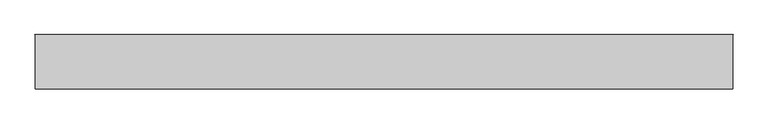
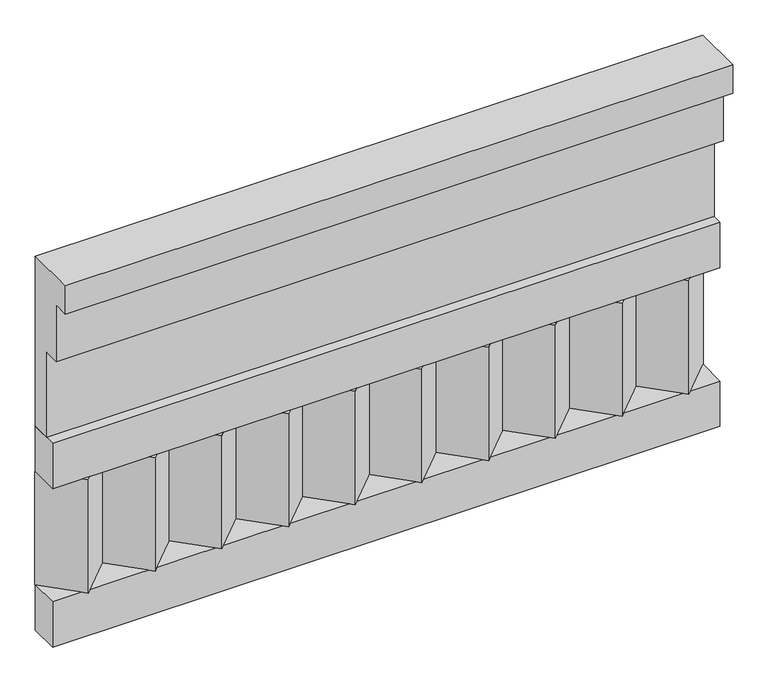
"""IFC4 building model written with IfcOpenShell, lengths in millimetres: railing geometry."""

from ifc_helpers import new_model, si_unit, frame, origin, place, context, project, spatial, polyline, outline, extrude, source, transform, mapped, element, save


def railing_da15f440(model_context):
    return source(origin(), model_context, "Body", "SweptSolid", [
        extrude(outline(polyline([(-16816.8920513, 31130.0), (-16816.8920513, 30680.0), (-16866.8920513, 30680.0), (-16866.8920513, 30905.0), (-16906.8920513, 30905.0), (-16906.8920513, 31055.0), (-16946.8920513, 31055.0), (-16946.8920513, 31130.0), (-16816.8920513, 31130.0)])), frame((-5539.9887159, 0.0, 0.0), z_axis=(1.0, 0.0, 0.0), x_axis=(0.0, 1.0, 0.0)), (0.0, 0.0, 1.0), 1670.0),
        extrude(outline(polyline([(-5539.9887159, -16891.8920513), (-5539.9887159, -16816.8920513), (-3869.9887159, -16816.8920513), (-3869.9887159, -16891.8920513), (-5539.9887159, -16891.8920513)])), frame((0.0, 0.0, 30560.0), z_axis=(0.0, 0.0, 1.0), x_axis=(1.0, 0.0, 0.0)), (0.0, 0.0, 1.0), 120.0),
        extrude(outline(polyline([(-5539.9887159, -16891.8920513), (-5539.9887159, -16816.8920513), (-3869.9887159, -16816.8920513), (-3869.9887159, -16891.8920513), (-5539.9887159, -16891.8920513)])), frame((0.0, 0.0, 30140.0), z_axis=(0.0, 0.0, 1.0), x_axis=(1.0, 0.0, 0.0)), (0.0, 0.0, 1.0), 120.0),
        extrude(outline(polyline([(-3953.4887159, -16901.7448651), (-4038.3415296, -16816.8920513), (-3868.6359022, -16816.8920513), (-3953.4887159, -16901.7448651)])), frame((0.0, 0.0, 30260.0), z_axis=(0.0, 0.0, 1.0), x_axis=(1.0, 0.0, 0.0)), (0.0, 0.0, 1.0), 300.0),
        extrude(outline(polyline([(-4120.4887159, -16901.7448651), (-4205.3415296, -16816.8920513), (-4035.6359022, -16816.8920513), (-4120.4887159, -16901.7448651)])), frame((0.0, 0.0, 30260.0), z_axis=(0.0, 0.0, 1.0), x_axis=(1.0, 0.0, 0.0)), (0.0, 0.0, 1.0), 300.0),
        extrude(outline(polyline([(-4287.4887159, -16901.7448651), (-4372.3415296, -16816.8920513), (-4202.6359022, -16816.8920513), (-4287.4887159, -16901.7448651)])), frame((0.0, 0.0, 30260.0), z_axis=(0.0, 0.0, 1.0), x_axis=(1.0, 0.0, 0.0)), (0.0, 0.0, 1.0), 300.0),
        extrude(outline(polyline([(-4454.4887159, -16901.7448651), (-4539.3415296, -16816.8920513), (-4369.6359022, -16816.8920513), (-4454.4887159, -16901.7448651)])), frame((0.0, 0.0, 30260.0), z_axis=(0.0, 0.0, 1.0), x_axis=(1.0, 0.0, 0.0)), (0.0, 0.0, 1.0), 300.0),
        extrude(outline(polyline([(-4621.4887159, -16901.7448651), (-4706.3415296, -16816.8920513), (-4536.6359022, -16816.8920513), (-4621.4887159, -16901.7448651)])), frame((0.0, 0.0, 30260.0), z_axis=(0.0, 0.0, 1.0), x_axis=(1.0, 0.0, 0.0)), (0.0, 0.0, 1.0), 300.0),
        extrude(outline(polyline([(-4788.4887159, -16901.7448651), (-4873.3415296, -16816.8920513), (-4703.6359022, -16816.8920513), (-4788.4887159, -16901.7448651)])), frame((0.0, 0.0, 30260.0), z_axis=(0.0, 0.0, 1.0), x_axis=(1.0, 0.0, 0.0)), (0.0, 0.0, 1.0), 300.0),
        extrude(outline(polyline([(-4955.4887159, -16901.7448651), (-5040.3415296, -16816.8920513), (-4870.6359022, -16816.8920513), (-4955.4887159, -16901.7448651)])), frame((0.0, 0.0, 30260.0), z_axis=(0.0, 0.0, 1.0), x_axis=(1.0, 0.0, 0.0)), (0.0, 0.0, 1.0), 300.0),
        extrude(outline(polyline([(-5122.4887159, -16901.7448651), (-5207.3415296, -16816.8920513), (-5037.6359022, -16816.8920513), (-5122.4887159, -16901.7448651)])), frame((0.0, 0.0, 30260.0), z_axis=(0.0, 0.0, 1.0), x_axis=(1.0, 0.0, 0.0)), (0.0, 0.0, 1.0), 300.0),
        extrude(outline(polyline([(-5289.4887159, -16901.7448651), (-5374.3415296, -16816.8920513), (-5204.6359022, -16816.8920513), (-5289.4887159, -16901.7448651)])), frame((0.0, 0.0, 30260.0), z_axis=(0.0, 0.0, 1.0), x_axis=(1.0, 0.0, 0.0)), (0.0, 0.0, 1.0), 300.0),
        extrude(outline(polyline([(-5456.4887159, -16901.7448651), (-5541.3415296, -16816.8920513), (-5371.6359022, -16816.8920513), (-5456.4887159, -16901.7448651)])), frame((0.0, 0.0, 30260.0), z_axis=(0.0, 0.0, 1.0), x_axis=(1.0, 0.0, 0.0)), (0.0, 0.0, 1.0), 300.0),
    ])


if __name__ == "__main__":
    model = new_model("IFC4")
    model_context = context("Model", 3, world=origin())
    ifc_project = project(units=[si_unit("LENGTHUNIT", "METRE", prefix="MILLI")], contexts=[model_context])
    site = spatial("IfcSite", under=ifc_project)
    building = spatial("IfcBuilding", under=site)
    placement = place(None, origin())
    railing_shape = railing_da15f440(model_context)
    element("IfcRailing", 1, at=placement, inside=building, context=model_context, shape_type="MappedRepresentation", body=[
        mapped(railing_shape, transform((0.0, 0.0, 0.0), x_axis=(1.0, 0.0, 0.0), y_axis=(0.0, 1.0, 0.0), z_axis=(0.0, 0.0, 1.0))),
    ])
    save(model, "model.ifc")
